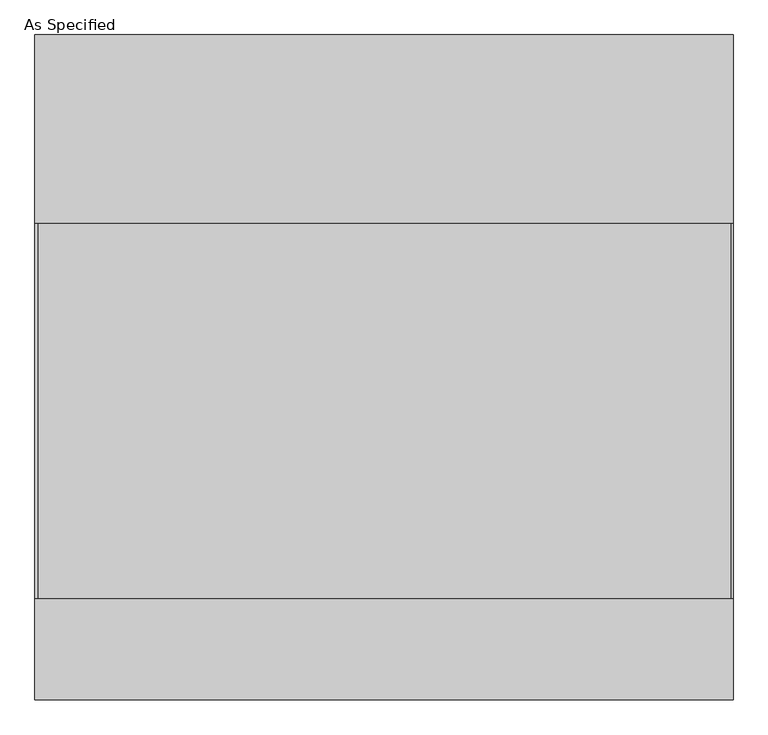
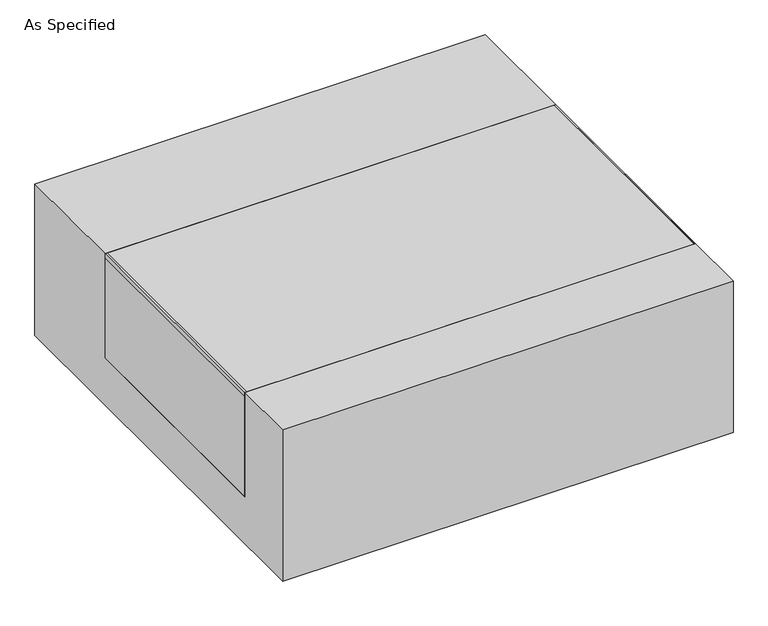
"""IFC4 building model written with IfcOpenShell, lengths in millimetres: proxy geometry, As Specified."""

from ifc_helpers import new_model, si_unit, point, frame, frame_2d, origin, place, context, project, spatial, polyline, circle_curve, trimmed, segment, composite_curve, outline, extrude, source, transform, mapped, element, save


def as_specified_13a3d44e(model_context):
    return source(origin(), model_context, "Body", "SweptSolid", [
        extrude(outline(composite_curve([segment(trimmed(circle_curve(frame_2d((389.6125, -626.275)), 10.5), [point((389.6125, -636.775))], [point((389.6125, -615.775))], False, "CARTESIAN"), True, "CONTINUOUS"), segment(trimmed(circle_curve(frame_2d((389.6125, -626.275)), 10.5), [point((389.6125, -615.775))], [point((389.6125, -636.775))], False, "CARTESIAN"), True, "CONTINUOUS")], self_intersect=False)), frame((0.0, 0.0, -562.225), z_axis=(0.0, 0.0, 1.0), x_axis=(1.0, 0.0, 0.0)), (0.0, 0.0, 1.0), 32.0),
        extrude(outline(polyline([(-704.05625, -469.9), (-709.6125, -469.9), (-709.6125, 292.1), (-704.05625, 292.1), (-704.05625, -469.9)])), frame((0.0, 0.0, -39.6875), z_axis=(0.0, 0.0, 1.0), x_axis=(1.0, 0.0, 0.0)), (0.0, 0.0, 1.0), 14.2875),
        extrude(outline(polyline([(705.64375, 292.1), (709.6125, 292.1), (709.6125, -469.9), (705.64375, -469.9), (705.64375, 292.1)])), frame((0.0, 0.0, -39.6875), z_axis=(0.0, 0.0, 1.0), x_axis=(1.0, 0.0, 0.0)), (0.0, 0.0, 1.0), 14.2875),
        extrude(outline(polyline([(709.6125, 292.1), (709.6125, -469.9), (-709.6125, -469.9), (-709.6125, 292.1), (709.6125, 292.1)])), frame((0.0, 0.0, -373.0625), z_axis=(0.0, 0.0, 1.0), x_axis=(1.0, 0.0, 0.0)), (0.0, 0.0, 1.0), 347.6625),
        extrude(outline(polyline([(676.275, -25.4), (676.275, -530.225), (-676.275, -530.225), (-676.275, -25.4), (-469.9, -25.4), (-469.9, -373.0625), (292.1, -373.0625), (292.1, -25.4), (676.275, -25.4)])), frame((-709.6125, 0.0, 0.0), z_axis=(1.0, 0.0, 0.0), x_axis=(0.0, 1.0, 0.0)), (0.0, 0.0, 1.0), 1419.225),
    ])


if __name__ == "__main__":
    model = new_model("IFC4")
    model_context = context("Model", 3, world=origin())
    ifc_project = project(units=[si_unit("LENGTHUNIT", "METRE", prefix="MILLI")], contexts=[model_context])
    site = spatial("IfcSite", under=ifc_project)
    building = spatial("IfcBuilding", under=site)
    placement = place(None, origin())
    as_specified_shape = as_specified_13a3d44e(model_context)
    element("IfcBuildingElementProxy", 1, Name="As Specified", ObjectType="As Specified", at=placement, inside=building, context=model_context, shape_type="MappedRepresentation", body=[
        mapped(as_specified_shape, transform((0.0, 0.0, 0.0), x_axis=(1.0, 0.0, 0.0), y_axis=(0.0, 1.0, 0.0), z_axis=(0.0, 0.0, 1.0))),
    ])
    save(model, "model.ifc")
